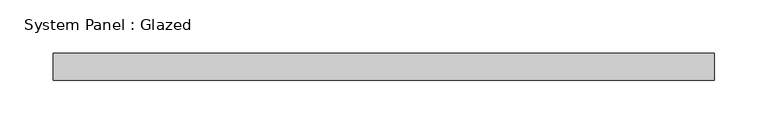
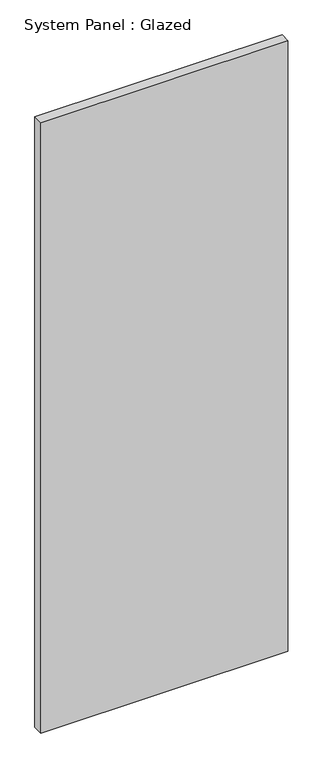
"""IFC4 building model written with IfcOpenShell, lengths in millimetres: plate geometry, System Panel : Glazed."""

import ifcopenshell
import ifcopenshell.guid

model = None  # the IFC model being written
_history = None  # IfcOwnerHistory: only IFC2X3 demands one
_inside = {}  # id of a spatial element -> (the spatial element, [elements in it])
_under = {}  # id of a project, library or spatial element -> (it, [spatial elements below it])
_declared = {}  # id of a project -> (the project, [libraries it declares])
_typed = {}  # id of a type object -> (the type object, [elements of that type])
_made_of = {}  # id of a material, layer set ... -> (it, [elements and type objects made of it])


def new_model(schema):
    """Start an empty IFC model of exactly this schema.

    Asked for "IFC4X3", IfcOpenShell would pick the latest addendum, in which some entities
    have other attributes; the version numbers below select the first issue.
    IFC2X3 requires an IfcOwnerHistory on every rooted entity: one is made here for all.
    """
    global model, _history
    if schema == "IFC4X3":
        model = ifcopenshell.file(schema_version=(4, 3, 0, 0))
    else:
        model = ifcopenshell.file(schema=schema)
    _inside.clear()
    _under.clear()
    _declared.clear()
    _typed.clear()
    _made_of.clear()
    _history = None
    if model.schema == "IFC2X3":
        org = make("IfcOrganization", Name="unknown")
        user = make(
            "IfcPersonAndOrganization",
            ThePerson=make("IfcPerson", FamilyName="unknown"),
            TheOrganization=org,
        )
        app = make(
            "IfcApplication",
            ApplicationDeveloper=org,
            Version="unknown",
            ApplicationFullName="unknown",
            ApplicationIdentifier="unknown",
        )
        _history = make(
            "IfcOwnerHistory",
            OwningUser=user,
            OwningApplication=app,
            ChangeAction="ADDED",
            CreationDate=0,
        )
    return model


def make(cls, **values):
    """One entity of the class cls with the attributes given. An attribute that is None is left unset."""
    return model.create_entity(
        cls, **{name: value for name, value in values.items() if value is not None}
    )


def rooted(cls, **values):
    """An entity with a GlobalId (a new one), such as an element, a storey or a relation."""
    return make(cls, GlobalId=ifcopenshell.guid.new(), OwnerHistory=_history, **values)


def si_unit(unit_type, name, prefix=None):
    """IfcSIUnit, for example si_unit("LENGTHUNIT", "METRE", prefix="MILLI")."""
    return make("IfcSIUnit", UnitType=unit_type, Prefix=prefix, Name=name)


def assignment(units):
    """IfcUnitAssignment: the units of a project."""
    return None if units is None else make("IfcUnitAssignment", Units=units)


def point(xyz):
    """IfcCartesianPoint."""
    return None if xyz is None else make("IfcCartesianPoint", Coordinates=xyz)


def direction(xyz):
    """IfcDirection."""
    return None if xyz is None else make("IfcDirection", DirectionRatios=xyz)


def frame(location, z_axis=None, x_axis=None):
    """IfcAxis2Placement3D, a coordinate frame: its origin and axes. An axis left out is left unset."""
    return make(
        "IfcAxis2Placement3D",
        Location=point(location),
        Axis=direction(z_axis),
        RefDirection=direction(x_axis),
    )


def origin():
    """The frame at (0, 0, 0) with its axes left unset."""
    return frame((0.0, 0.0, 0.0))


def origin_with_axes():
    """The frame at (0, 0, 0) with the z axis (0, 0, 1) and the x axis (1, 0, 0) written out."""
    return frame((0.0, 0.0, 0.0), z_axis=(0.0, 0.0, 1.0), x_axis=(1.0, 0.0, 0.0))


def place(relative_to, where):
    """IfcLocalPlacement: puts the frame where relative to a parent placement (None: the world)."""
    return make(
        "IfcLocalPlacement", PlacementRelTo=relative_to, RelativePlacement=where
    )


def context(
    kind, dimensions, precision=None, world=None, true_north=None, identifier=None
):
    """IfcGeometricRepresentationContext, for example the 3D "Model" context."""
    return make(
        "IfcGeometricRepresentationContext",
        ContextIdentifier=identifier,
        ContextType=kind,
        CoordinateSpaceDimension=dimensions,
        Precision=precision,
        WorldCoordinateSystem=world,
        TrueNorth=true_north,
    )


def project(units=None, contexts=None):
    """IfcProject with its units and contexts."""
    return rooted(
        "IfcProject",
        Name="project",
        RepresentationContexts=contexts,
        UnitsInContext=assignment(units),
    )


def spatial(cls, under=None, at=None, **own):
    """A site, building, storey or space (cls), placed at a placement, below another one or the project."""
    s = rooted(cls, ObjectPlacement=at, **own)
    if under is not None:
        _under.setdefault(under.id(), (under, []))[1].append(s)
    return s


def polyline(points):
    """IfcPolyline through the points."""
    return make("IfcPolyline", Points=[point(p) for p in points])


def outline(outer, holes=None, kind="AREA"):
    """IfcArbitraryClosedProfileDef: a profile drawn as a closed curve; with holes, ...WithVoids."""
    if holes is None:
        return make("IfcArbitraryClosedProfileDef", ProfileType=kind, OuterCurve=outer)
    return make(
        "IfcArbitraryProfileDefWithVoids",
        ProfileType=kind,
        OuterCurve=outer,
        InnerCurves=holes,
    )


def extrude(swept, where, along, depth):
    """IfcExtrudedAreaSolid: the profile swept, set in the frame where, extruded along a direction by depth."""
    return make(
        "IfcExtrudedAreaSolid",
        SweptArea=swept,
        Position=where,
        ExtrudedDirection=direction(along),
        Depth=depth,
    )


def shape(context_of_items, identifier, shape_type, items):
    """IfcShapeRepresentation: the items that make up one representation, for example the "Body"."""
    return make(
        "IfcShapeRepresentation",
        ContextOfItems=context_of_items,
        RepresentationIdentifier=identifier,
        RepresentationType=shape_type,
        Items=items,
    )


def source(mapping_origin, context_of_items, identifier, shape_type, items):
    """IfcRepresentationMap: a shape defined once, which mapped items show again and again."""
    return make(
        "IfcRepresentationMap",
        MappingOrigin=mapping_origin,
        MappedRepresentation=shape(context_of_items, identifier, shape_type, items),
    )


def transform(
    local_origin,
    x_axis=None,
    y_axis=None,
    z_axis=None,
    scale=None,
    scale2=None,
    scale3=None,
    uniform=True,
):
    """IfcCartesianTransformationOperator3D, or its non-uniform kind. x_axis, y_axis, z_axis: its Axis1, 2, 3."""
    if uniform:
        return make(
            "IfcCartesianTransformationOperator3D",
            Axis1=direction(x_axis),
            Axis2=direction(y_axis),
            LocalOrigin=point(local_origin),
            Scale=scale,
            Axis3=direction(z_axis),
        )
    return make(
        "IfcCartesianTransformationOperator3DnonUniform",
        Axis1=direction(x_axis),
        Axis2=direction(y_axis),
        LocalOrigin=point(local_origin),
        Scale=scale,
        Axis3=direction(z_axis),
        Scale2=scale2,
        Scale3=scale3,
    )


def mapped(mapping_source, mapping_target):
    """IfcMappedItem: shows the shape of a source again, moved by a transform."""
    return make(
        "IfcMappedItem", MappingSource=mapping_source, MappingTarget=mapping_target
    )


def made_of(thing, what):
    """Note that an element or type object is made of a material, layer set ...; save() writes the relation."""
    if what is not None:
        _made_of.setdefault(what.id(), (what, []))[1].append(thing)
    return thing


def element(
    cls,
    number,
    at=None,
    inside=None,
    cuts=None,
    type_object=None,
    material=None,
    context=None,
    identifier="Body",
    shape_type=None,
    held_by="IfcProductDefinitionShape",
    body=None,
    shapes=None,
    **own,
):
    """One element of the class cls, such as IfcWall. Its Tag is "e" and its number.

    at: its placement. inside: the storey or other place that contains it. cuts: it is an
    opening in that element (IfcRelVoidsElement). A single representation is given by context,
    identifier, shape_type and body (its items); several are given by shapes. held_by: the class
    of the entity that holds the representations. save() writes the other relations.
    """
    e = rooted(cls, Tag="e%d" % number, ObjectPlacement=at, **own)
    if body is not None:
        shapes = [shape(context, identifier, shape_type, body)]
    if shapes is not None:
        e.Representation = make(held_by, Representations=shapes)
    if inside is not None:
        _inside.setdefault(inside.id(), (inside, []))[1].append(e)
    if cuts is not None:
        rooted(
            "IfcRelVoidsElement", RelatingBuildingElement=cuts, RelatedOpeningElement=e
        )
    if type_object is not None:
        _typed.setdefault(type_object.id(), (type_object, []))[1].append(e)
    return made_of(e, material)


def aggregate(whole, parts):
    """IfcRelAggregates: a whole, such as a stair, and the parts it consists of."""
    return rooted("IfcRelAggregates", RelatingObject=whole, RelatedObjects=parts)


def save(model, path):
    """Write the relations noted so far, then the file.

    IfcRelAggregates (storeys below a building ...), IfcRelContainedInSpatialStructure (elements
    in a storey), IfcRelDefinesByType, IfcRelAssociatesMaterial and IfcRelDeclares: one each for
    every whole, place, type object, material and project.
    """
    for whole, parts in _under.values():
        aggregate(whole, parts)
    for where, things in _inside.values():
        rooted(
            "IfcRelContainedInSpatialStructure",
            RelatedElements=things,
            RelatingStructure=where,
        )
    for kind, things in _typed.values():
        rooted("IfcRelDefinesByType", RelatedObjects=things, RelatingType=kind)
    for what, things in _made_of.values():
        rooted("IfcRelAssociatesMaterial", RelatedObjects=things, RelatingMaterial=what)
    for by, libraries in _declared.values():
        rooted("IfcRelDeclares", RelatingContext=by, RelatedDefinitions=libraries)
    model.write(path)


def system_panel_glazed_c55585ac(model_context):
    return source(origin(), model_context, "Body", "SweptSolid", [
        extrude(outline(polyline([(311.15, -12.7), (-311.15, -12.7), (-311.15, 12.7), (311.15, 12.7), (311.15, -12.7)])), origin_with_axes(), (0.0, 0.0, 1.0), 1625.6),
    ])


if __name__ == "__main__":
    model = new_model("IFC4")
    model_context = context("Model", 3, world=origin())
    ifc_project = project(units=[si_unit("LENGTHUNIT", "METRE", prefix="MILLI")], contexts=[model_context])
    site = spatial("IfcSite", under=ifc_project)
    building = spatial("IfcBuilding", under=site)
    placement = place(None, origin())
    system_panel_glazed_shape = system_panel_glazed_c55585ac(model_context)
    element("IfcPlate", 1, ObjectType="System Panel : Glazed", at=placement, inside=building, context=model_context, shape_type="MappedRepresentation", body=[
        mapped(system_panel_glazed_shape, transform((0.0, 0.0, 0.0), x_axis=(1.0, 0.0, 0.0), y_axis=(0.0, 1.0, 0.0), z_axis=(0.0, 0.0, 1.0))),
    ])
    save(model, "model.ifc")
